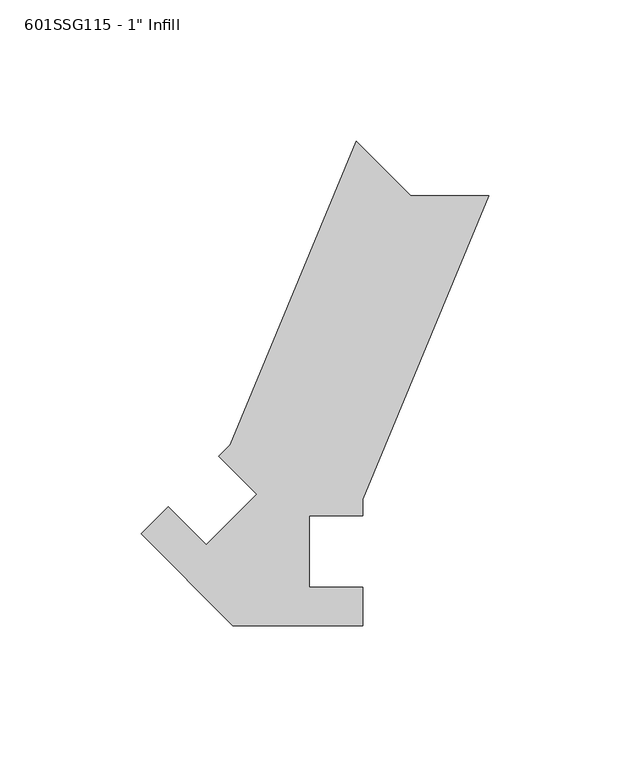
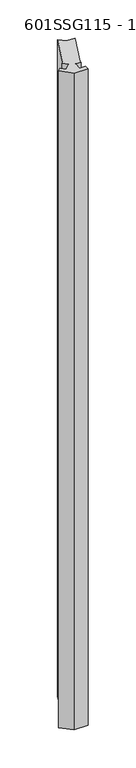
"""IFC4 building model written with IfcOpenShell, lengths in millimetres: proxy geometry."""

from ifc_helpers import new_model, si_unit, frame, origin, place, context, project, spatial, polyline, outline, extrude, source, transform, mapped, element, save


def proxy_c9389765(model_context):
    return source(origin(), model_context, "Body", "SweptSolid", [
        extrude(outline(polyline([(-11.8068074, 37.8692441), (32.7619014, 145.4676254), (52.2022198, 126.027307), (79.6949817, 126.027307), (35.1262729, 18.4289258), (35.1262729, 12.7000997), (16.0762729, 12.7000997), (16.0762729, -12.6999003), (35.1262729, -12.6999003), (35.1262729, -26.372693), (-10.9239271, -26.372693), (-43.4863358, 6.1897157), (-33.8182114, 15.8578401), (-20.3478272, 2.3874559), (-2.387315, 20.3479681), (-15.8576992, 33.8183523), (-11.8068074, 37.8692441)])), frame((0.0, 0.0, 50.8), z_axis=(0.0, 0.0, 1.0), x_axis=(1.0, 0.0, 0.0)), (0.0, 0.0, 1.0), 2324.1),
    ])


if __name__ == "__main__":
    model = new_model("IFC4")
    model_context = context("Model", 3, world=origin())
    ifc_project = project(units=[si_unit("LENGTHUNIT", "METRE", prefix="MILLI")], contexts=[model_context])
    site = spatial("IfcSite", under=ifc_project)
    building = spatial("IfcBuilding", under=site)
    placement = place(None, origin())
    proxy_shape = proxy_c9389765(model_context)
    element("IfcBuildingElementProxy", 1, Name="601SSG115 - 1\" Infill", ObjectType="601SSG115 - 1\" Infill", at=placement, inside=building, context=model_context, shape_type="MappedRepresentation", body=[
        mapped(proxy_shape, transform((0.0, 0.0, 0.0), x_axis=(1.0, 0.0, 0.0), y_axis=(0.0, 1.0, 0.0), z_axis=(0.0, 0.0, 1.0))),
    ])
    save(model, "model.ifc")
